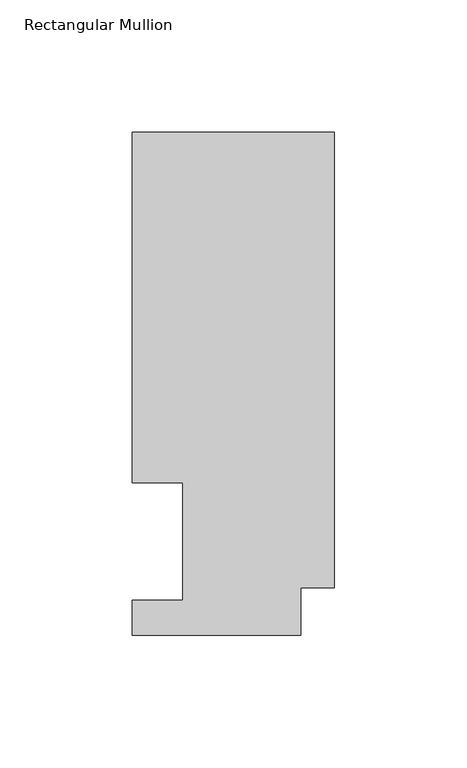
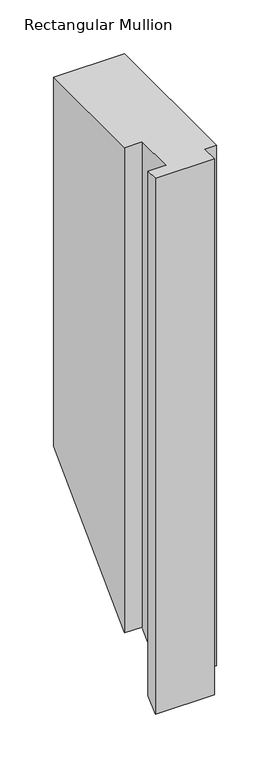
"""IFC4 building model written with IfcOpenShell, lengths in millimetres: member geometry, Rectangular Mullion."""

from ifc_helpers import new_model, si_unit, origin, place, context, project, spatial, faceted_brep, source, transform, mapped, element, save


def rectangular_mullion_20c9e88e(model_context):
    return source(origin(), model_context, "Body", "Brep", [
        faceted_brep([(-76.2, 189.8022938, 0.0), (-76.2, 57.6460938, 0.0), (-57.15, 57.6460937, 0.0), (-57.15, 13.1960938, 0.0), (-76.2, 13.1960938, 0.0), (-76.2, 0.0134938, 0.0), (-12.7, 0.0134938, 0.0), (-12.7, 17.9712938, 0.0), (0.0, 17.9712938, 0.0), (0.0, 189.8022938, 0.0), (-76.2, 189.8022938, -419.7977062), (-76.2, 57.6460937, -551.9539062), (-57.15, 57.6460937, -551.9539062), (-57.15, 13.1960938, -596.4039062), (-76.2, 13.1960938, -596.4039062), (-76.2, 0.0134938, -609.5865062), (-12.7, 0.0134938, -609.5865062), (-12.7, 17.9712938, -591.6287062), (0.0, 17.9712938, -591.6287062), (0.0, 189.8022938, -419.7977062)], [[[0, 1, 2, 3, 4, 5, 6, 7, 8, 9]], [[1, 0, 10, 11]], [[2, 1, 11, 12]], [[3, 2, 12, 13]], [[4, 3, 13, 14]], [[5, 4, 14, 15]], [[6, 5, 15, 16]], [[7, 6, 16, 17]], [[8, 7, 17, 18]], [[9, 8, 18, 19]], [[0, 9, 19, 10]], [[10, 19, 18, 17, 16, 15, 14, 13, 12, 11]]]),
    ])


if __name__ == "__main__":
    model = new_model("IFC4")
    model_context = context("Model", 3, world=origin())
    ifc_project = project(units=[si_unit("LENGTHUNIT", "METRE", prefix="MILLI")], contexts=[model_context])
    site = spatial("IfcSite", under=ifc_project)
    building = spatial("IfcBuilding", under=site)
    placement = place(None, origin())
    rectangular_mullion_shape = rectangular_mullion_20c9e88e(model_context)
    element("IfcMember", 1, ObjectType="Rectangular Mullion", at=placement, inside=building, context=model_context, shape_type="MappedRepresentation", body=[
        mapped(rectangular_mullion_shape, transform((0.0, 0.0, 0.0), x_axis=(1.0, 0.0, 0.0), y_axis=(0.0, 1.0, 0.0), z_axis=(0.0, 0.0, 1.0))),
    ])
    save(model, "model.ifc")
